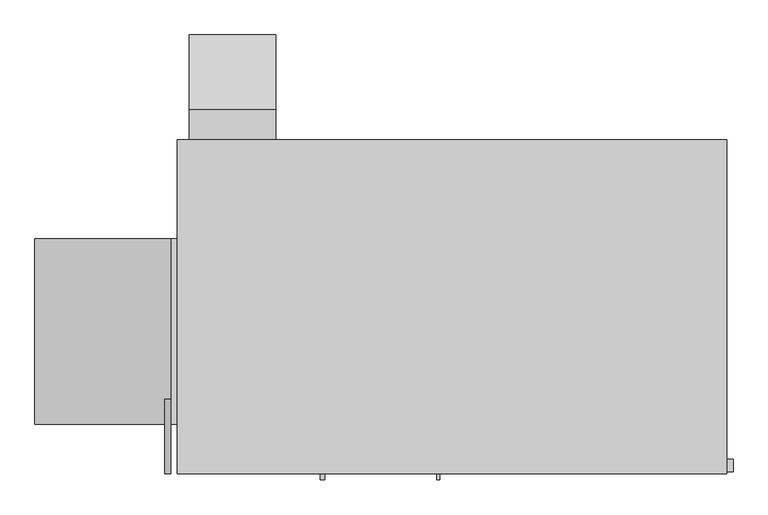
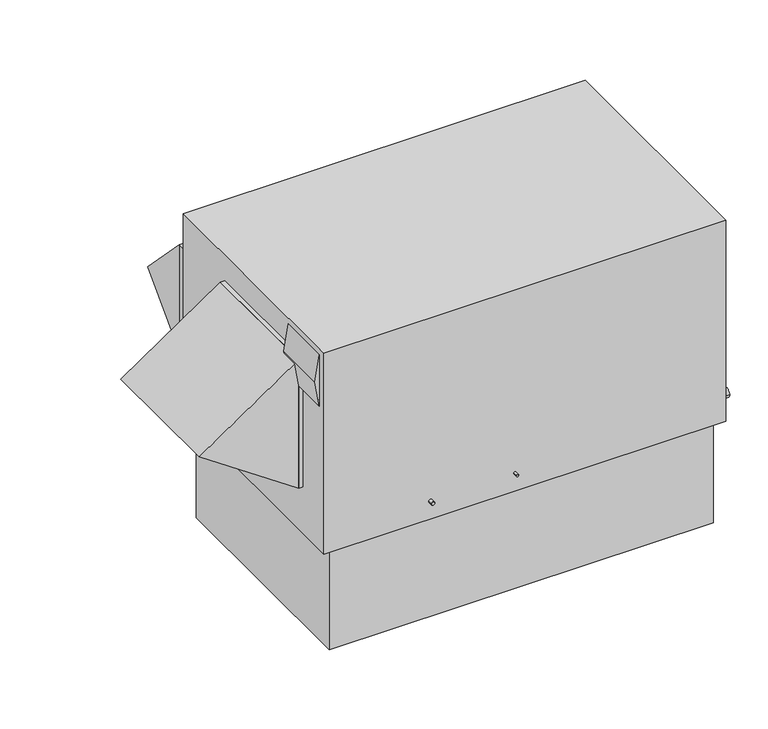
"""IFC4 building model written with IfcOpenShell, lengths in millimetres: proxy geometry."""

from ifc_helpers import new_model, si_unit, frame, origin, place, context, project, spatial, polyline, circle_curve, outline, extrude, source, transform, mapped, element, save
from ifc_brep_helpers import plane_surface, cylinder_surface, advanced_brep


def mechanical_equipment_370bcb31(model_context):
    return source(origin(), model_context, "Body", "SolidModel", [
        extrude(outline(polyline([(889.0, -2286.0), (1193.8, -2286.0), (1041.4, -2311.4), (889.0, -2286.0)])), frame((0.0, 0.0, 0.0), z_axis=(0.0, 1.0, 0.0), x_axis=(0.0, 0.0, 1.0)), (0.0, 0.0, 1.0), 304.8),
        extrude(outline(polyline([(279.4, -2286.0), (1041.4, -2286.0), (660.4, -2844.8), (279.4, -2286.0)])), frame((0.0, 203.2, 0.0), z_axis=(0.0, 1.0, 0.0), x_axis=(0.0, 0.0, 1.0)), (0.0, 0.0, 1.0), 762.0),
        extrude(outline(polyline([(-2286.0, 203.2), (-2286.0, 965.2), (-2260.6, 965.2), (-2260.6, 203.2), (-2286.0, 203.2)])), frame((0.0, 0.0, 279.4), z_axis=(0.0, 0.0, 1.0), x_axis=(1.0, 0.0, 0.0)), (0.0, 0.0, 1.0), 762.0),
        extrude(outline(polyline([(1498.6, 279.4), (1498.6, 914.4), (1803.4, 596.9), (1498.6, 279.4)])), frame((-2209.8, 0.0, 0.0), z_axis=(1.0, 0.0, 0.0), x_axis=(0.0, 1.0, 0.0)), (0.0, 0.0, 1.0), 355.6),
        extrude(outline(polyline([(-2209.8, 1498.6), (-1854.2, 1498.6), (-1854.2, 1371.6), (-2209.8, 1371.6), (-2209.8, 1498.6)])), frame((0.0, 0.0, 279.4), z_axis=(0.0, 0.0, 1.0), x_axis=(1.0, 0.0, 0.0)), (0.0, 0.0, 1.0), 635.0),
        extrude(outline(polyline([(-50.8, 1333.5), (-50.8, 38.1), (-2209.8, 38.1), (-2209.8, 1333.5), (-50.8, 1333.5)])), frame((0.0, 0.0, -609.6), z_axis=(0.0, 0.0, 1.0), x_axis=(1.0, 0.0, 0.0)), (0.0, 0.0, 1.0), 609.6),
        advanced_brep(
        [(0.0, 1371.6, 1193.8), (-2260.6, 1371.6, 1193.8), (-2260.6, 0.0, 1193.8), (0.0, 0.0, 1193.8), (0.0, 1371.6, 0.0), (0.0, 0.0, 0.0), (-2260.6, 0.0, 0.0), (-2260.6, 1371.6, 0.0), (-1711.325, 1270.0, 0.0), (-2168.525, 1270.0, 0.0), (-2168.525, 457.2, 0.0), (-1711.325, 457.2, 0.0), (-1016.0, 1270.0, 0.0), (-1473.2, 1270.0, 0.0), (-1473.2, 406.4, 0.0), (-1016.0, 406.4, 0.0), (-1181.1, 0.0, 107.95), (-1193.8, 0.0, 107.95), (-1652.5875, 0.0, 107.95), (-1671.6375, 0.0, 107.95), (0.0, 58.7375, 142.875), (0.0, 7.9375, 142.875), (-1711.325, 1270.0, 107.95), (-1711.325, 457.2, 107.95), (-2168.525, 457.2, 107.95), (-2168.525, 1270.0, 107.95), (-1016.0, 1270.0, 107.95), (-1016.0, 406.4, 107.95), (-1473.2, 406.4, 107.95), (-1473.2, 1270.0, 107.95), (-1193.8, -25.5724411, 107.95), (-1181.1, -25.5724411, 107.95), (25.4, 7.9375, 142.875), (25.4, 58.7375, 142.875), (-1671.6375, -25.5724411, 107.95), (-1652.5875, -25.5724411, 107.95)],
        [
            (0, 1),
            (1, 2),
            (2, 3),
            (3, 0),
            (4, 5),
            (5, 6),
            (6, 7),
            (7, 4),
            (8, 9),
            (9, 10),
            (10, 11),
            (11, 8),
            (12, 13),
            (13, 14),
            (14, 15),
            (15, 12),
            (0, 4),
            (7, 1),
            (6, 2),
            (5, 3),
            (16, 17, circle_curve(frame((-1187.45, 0.0, 107.95), z_axis=(0.0, 1.0, 0.0), x_axis=(1.0, 0.0, 0.0)), 6.35)),
            (17, 16, circle_curve(frame((-1187.45, 0.0, 107.95), z_axis=(0.0, 1.0, 0.0), x_axis=(1.0, 0.0, 0.0)), 6.35)),
            (18, 19, circle_curve(frame((-1662.1125, 0.0, 107.95), z_axis=(0.0, 1.0, 0.0), x_axis=(1.0, 0.0, 0.0)), 9.525)),
            (19, 18, circle_curve(frame((-1662.1125, 0.0, 107.95), z_axis=(0.0, 1.0, 0.0), x_axis=(1.0, 0.0, 0.0)), 9.525)),
            (20, 21, circle_curve(frame((0.0, 33.3375, 142.875), z_axis=(-1.0, 0.0, 0.0), x_axis=(0.0, 1.0, 0.0)), 25.4)),
            (21, 20, circle_curve(frame((0.0, 33.3375, 142.875), z_axis=(-1.0, 0.0, 0.0), x_axis=(0.0, 1.0, 0.0)), 25.4)),
            (22, 23),
            (23, 24),
            (24, 25),
            (25, 22),
            (26, 27),
            (27, 28),
            (28, 29),
            (29, 26),
            (25, 9),
            (8, 22),
            (24, 10),
            (23, 11),
            (29, 13),
            (12, 26),
            (28, 14),
            (27, 15),
            (30, 31, circle_curve(frame((-1187.45, -25.5724411, 107.95), z_axis=(0.0, -1.0, 0.0), x_axis=(1.0, 0.0, 0.0)), 6.35)),
            (31, 30, circle_curve(frame((-1187.45, -25.5724411, 107.95), z_axis=(0.0, -1.0, 0.0), x_axis=(1.0, 0.0, 0.0)), 6.35)),
            (30, 17),
            (16, 31),
            (32, 33, circle_curve(frame((25.4, 33.3375, 142.875), z_axis=(1.0, 0.0, 0.0), x_axis=(0.0, 1.0, 0.0)), 25.4)),
            (33, 32, circle_curve(frame((25.4, 33.3375, 142.875), z_axis=(1.0, 0.0, 0.0), x_axis=(0.0, 1.0, 0.0)), 25.4)),
            (32, 21),
            (20, 33),
            (34, 35, circle_curve(frame((-1662.1125, -25.5724411, 107.95), z_axis=(0.0, -1.0, 0.0), x_axis=(1.0, 0.0, 0.0)), 9.525)),
            (35, 34, circle_curve(frame((-1662.1125, -25.5724411, 107.95), z_axis=(0.0, -1.0, 0.0), x_axis=(1.0, 0.0, 0.0)), 9.525)),
            (34, 19),
            (18, 35),
        ],
        [
            plane_surface(frame((-2260.6, 1371.6, 1193.8), z_axis=(0.0, 0.0, 1.0), x_axis=(-1.0, 0.0, 0.0))),
            plane_surface(frame((-2260.6, 1371.6, 0.0), z_axis=(0.0, 0.0, -1.0), x_axis=(1.0, 0.0, 0.0))),
            plane_surface(frame((0.0, 1371.6, 1193.8), z_axis=(0.0, 1.0, 0.0), x_axis=(0.0, 0.0, -1.0))),
            plane_surface(frame((-2260.6, 1371.6, 1193.8), z_axis=(-1.0, 0.0, 0.0), x_axis=(0.0, 0.0, -1.0))),
            plane_surface(frame((-2260.6, 0.0, 1193.8), z_axis=(0.0, -1.0, 0.0), x_axis=(0.0, 0.0, -1.0))),
            plane_surface(frame((0.0, 0.0, 1193.8), z_axis=(1.0, 0.0, 0.0), x_axis=(0.0, 0.0, -1.0))),
            plane_surface(frame((-2168.525, 1270.0, 107.95), z_axis=(0.0, 0.0, -1.0), x_axis=(-1.0, 0.0, 0.0))),
            plane_surface(frame((-1711.325, 1270.0, 107.95), z_axis=(0.0, -1.0, 0.0), x_axis=(0.0, 0.0, -1.0))),
            plane_surface(frame((-2168.525, 1270.0, 107.95), z_axis=(1.0, 0.0, 0.0), x_axis=(0.0, 0.0, -1.0))),
            plane_surface(frame((-2168.525, 457.2, 107.95), z_axis=(0.0, 1.0, 0.0), x_axis=(0.0, 0.0, -1.0))),
            plane_surface(frame((-1711.325, 457.2, 107.95), z_axis=(-1.0, 0.0, 0.0), x_axis=(0.0, 0.0, -1.0))),
            plane_surface(frame((-1016.0, 1270.0, 107.95), z_axis=(0.0, -1.0, 0.0), x_axis=(0.0, 0.0, -1.0))),
            plane_surface(frame((-1473.2, 1270.0, 107.95), z_axis=(1.0, 0.0, 0.0), x_axis=(0.0, 0.0, -1.0))),
            plane_surface(frame((-1473.2, 406.4, 107.95), z_axis=(0.0, 1.0, 0.0), x_axis=(0.0, 0.0, -1.0))),
            plane_surface(frame((-1016.0, 406.4, 107.95), z_axis=(-1.0, 0.0, 0.0), x_axis=(0.0, 0.0, -1.0))),
            plane_surface(frame((-1181.1, -25.5724411, 107.95), z_axis=(0.0, -1.0, 0.0), x_axis=(0.0, 0.0, 1.0))),
            cylinder_surface(frame((-1187.45, 0.0, 107.95), z_axis=(0.0, -1.0, 0.0), x_axis=(1.0, 0.0, 0.0)), 6.35),
            plane_surface(frame((25.4, 58.7375, 142.875), z_axis=(1.0, 0.0, 0.0), x_axis=(0.0, 0.0, 1.0))),
            cylinder_surface(frame((0.0, 33.3375, 142.875), z_axis=(1.0, 0.0, 0.0), x_axis=(0.0, 1.0, 0.0)), 25.4),
            plane_surface(frame((-1652.5875, -25.5724411, 107.95), z_axis=(0.0, -1.0, 0.0), x_axis=(0.0, 0.0, 1.0))),
            cylinder_surface(frame((-1662.1125, 0.0, 107.95), z_axis=(0.0, -1.0, 0.0), x_axis=(1.0, 0.0, 0.0)), 9.525),
        ],
        [
            (0, [[1, 2, 3, 4]]),
            (1, [[5, 6, 7, 8], [9, 10, 11, 12], [13, 14, 15, 16]]),
            (2, [[-1, 17, -8, 18]]),
            (3, [[-2, -18, -7, 19]]),
            (4, [[-3, -19, -6, 20], [21, 22], [23, 24]]),
            (5, [[-4, -20, -5, -17], [25, 26]]),
            (6, [[27, 28, 29, 30]]),
            (6, [[31, 32, 33, 34]]),
            (7, [[-30, 35, -9, 36]]),
            (8, [[-29, 37, -10, -35]]),
            (9, [[-28, 38, -11, -37]]),
            (10, [[-27, -36, -12, -38]]),
            (11, [[-34, 39, -13, 40]]),
            (12, [[-33, 41, -14, -39]]),
            (13, [[-32, 42, -15, -41]]),
            (14, [[-31, -40, -16, -42]]),
            (15, [[43, 44]]),
            (16, [[-43, 45, -21, 46]]),
            (16, [[-44, -46, -22, -45]]),
            (17, [[47, 48]]),
            (18, [[-47, 49, -25, 50]]),
            (18, [[-48, -50, -26, -49]]),
            (19, [[51, 52]]),
            (20, [[-51, 53, -23, 54]]),
            (20, [[-52, -54, -24, -53]]),
        ],
    ),
    ])


if __name__ == "__main__":
    model = new_model("IFC4")
    model_context = context("Model", 3, world=origin())
    ifc_project = project(units=[si_unit("LENGTHUNIT", "METRE", prefix="MILLI")], contexts=[model_context])
    site = spatial("IfcSite", under=ifc_project)
    building = spatial("IfcBuilding", under=site)
    placement = place(None, origin())
    mechanical_equipment_shape = mechanical_equipment_370bcb31(model_context)
    element("IfcBuildingElementProxy", 1, Name="Mechanical Equipment", at=placement, inside=building, context=model_context, shape_type="MappedRepresentation", body=[
        mapped(mechanical_equipment_shape, transform((0.0, 0.0, 0.0), x_axis=(1.0, 0.0, 0.0), y_axis=(0.0, 1.0, 0.0), z_axis=(0.0, 0.0, 1.0))),
    ])
    save(model, "model.ifc")
